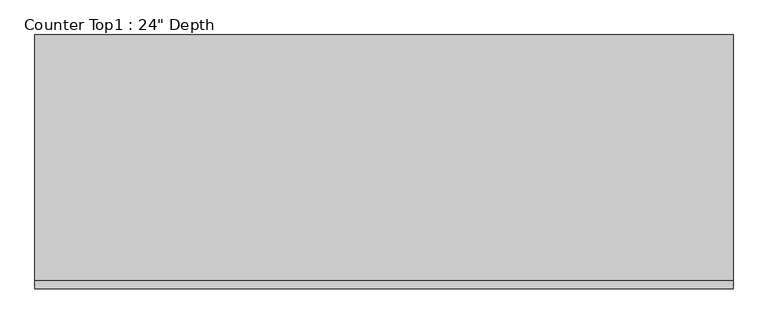
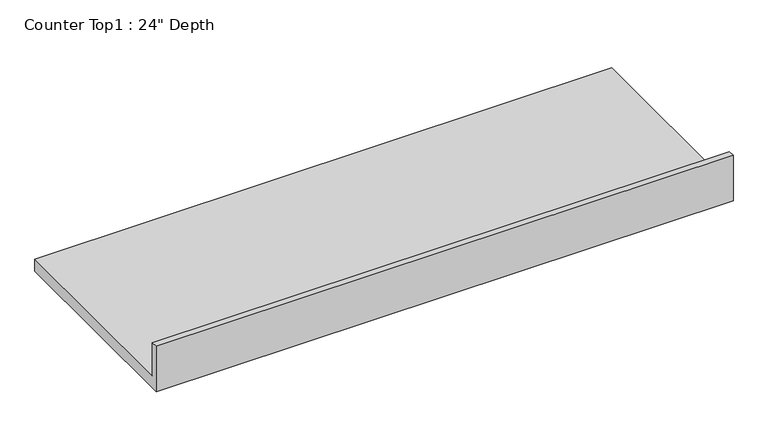
"""IFC4 building model written with IfcOpenShell, lengths in millimetres: furniture geometry."""

from ifc_helpers import new_model, si_unit, frame, origin, place, context, project, spatial, polyline, outline, extrude, source, transform, mapped, element, save


def furniture_f341d0f3(model_context):
    return source(origin(), model_context, "Body", "SweptSolid", [
        extrude(outline(polyline([(0.0, 1016.0), (19.05, 1016.0), (19.05, 914.4), (609.6, 914.4), (609.6, 876.3), (0.0, 876.3), (0.0, 1016.0)])), frame((-1200.4622951, 0.0, 0.0), z_axis=(1.0, 0.0, 0.0), x_axis=(0.0, 1.0, 0.0)), (0.0, 0.0, 1.0), 1676.4),
    ])


if __name__ == "__main__":
    model = new_model("IFC4")
    model_context = context("Model", 3, world=origin())
    ifc_project = project(units=[si_unit("LENGTHUNIT", "METRE", prefix="MILLI")], contexts=[model_context])
    site = spatial("IfcSite", under=ifc_project)
    building = spatial("IfcBuilding", under=site)
    placement = place(None, origin())
    furniture_shape = furniture_f341d0f3(model_context)
    element("IfcFurniture", 1, ObjectType="Counter Top1 : 24\" Depth", at=placement, inside=building, context=model_context, shape_type="MappedRepresentation", body=[
        mapped(furniture_shape, transform((0.0, 0.0, 0.0), x_axis=(1.0, 0.0, 0.0), y_axis=(0.0, 1.0, 0.0), z_axis=(0.0, 0.0, 1.0))),
    ])
    save(model, "model.ifc")
